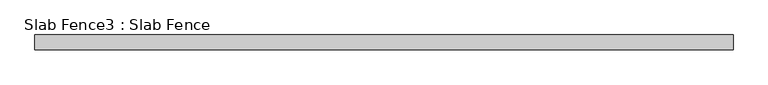
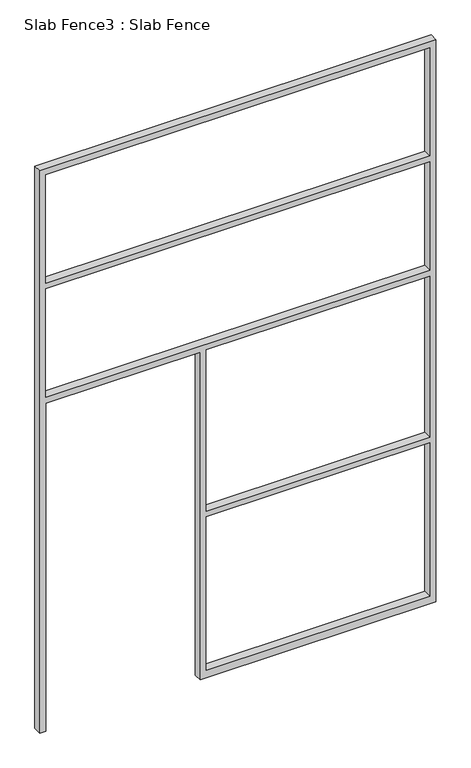
"""IFC4 building model written with IfcOpenShell, lengths in millimetres: proxy geometry, Slab Fence3 : Slab Fence."""

import ifcopenshell
import ifcopenshell.guid

model = None  # the IFC model being written
_history = None  # IfcOwnerHistory: only IFC2X3 demands one
_inside = {}  # id of a spatial element -> (the spatial element, [elements in it])
_under = {}  # id of a project, library or spatial element -> (it, [spatial elements below it])
_declared = {}  # id of a project -> (the project, [libraries it declares])
_typed = {}  # id of a type object -> (the type object, [elements of that type])
_made_of = {}  # id of a material, layer set ... -> (it, [elements and type objects made of it])


def new_model(schema):
    """Start an empty IFC model of exactly this schema.

    Asked for "IFC4X3", IfcOpenShell would pick the latest addendum, in which some entities
    have other attributes; the version numbers below select the first issue.
    IFC2X3 requires an IfcOwnerHistory on every rooted entity: one is made here for all.
    """
    global model, _history
    if schema == "IFC4X3":
        model = ifcopenshell.file(schema_version=(4, 3, 0, 0))
    else:
        model = ifcopenshell.file(schema=schema)
    _inside.clear()
    _under.clear()
    _declared.clear()
    _typed.clear()
    _made_of.clear()
    _history = None
    if model.schema == "IFC2X3":
        org = make("IfcOrganization", Name="unknown")
        user = make(
            "IfcPersonAndOrganization",
            ThePerson=make("IfcPerson", FamilyName="unknown"),
            TheOrganization=org,
        )
        app = make(
            "IfcApplication",
            ApplicationDeveloper=org,
            Version="unknown",
            ApplicationFullName="unknown",
            ApplicationIdentifier="unknown",
        )
        _history = make(
            "IfcOwnerHistory",
            OwningUser=user,
            OwningApplication=app,
            ChangeAction="ADDED",
            CreationDate=0,
        )
    return model


def make(cls, **values):
    """One entity of the class cls with the attributes given. An attribute that is None is left unset."""
    return model.create_entity(
        cls, **{name: value for name, value in values.items() if value is not None}
    )


def rooted(cls, **values):
    """An entity with a GlobalId (a new one), such as an element, a storey or a relation."""
    return make(cls, GlobalId=ifcopenshell.guid.new(), OwnerHistory=_history, **values)


def si_unit(unit_type, name, prefix=None):
    """IfcSIUnit, for example si_unit("LENGTHUNIT", "METRE", prefix="MILLI")."""
    return make("IfcSIUnit", UnitType=unit_type, Prefix=prefix, Name=name)


def assignment(units):
    """IfcUnitAssignment: the units of a project."""
    return None if units is None else make("IfcUnitAssignment", Units=units)


def point(xyz):
    """IfcCartesianPoint."""
    return None if xyz is None else make("IfcCartesianPoint", Coordinates=xyz)


def direction(xyz):
    """IfcDirection."""
    return None if xyz is None else make("IfcDirection", DirectionRatios=xyz)


def frame(location, z_axis=None, x_axis=None):
    """IfcAxis2Placement3D, a coordinate frame: its origin and axes. An axis left out is left unset."""
    return make(
        "IfcAxis2Placement3D",
        Location=point(location),
        Axis=direction(z_axis),
        RefDirection=direction(x_axis),
    )


def origin():
    """The frame at (0, 0, 0) with its axes left unset."""
    return frame((0.0, 0.0, 0.0))


def place(relative_to, where):
    """IfcLocalPlacement: puts the frame where relative to a parent placement (None: the world)."""
    return make(
        "IfcLocalPlacement", PlacementRelTo=relative_to, RelativePlacement=where
    )


def context(
    kind, dimensions, precision=None, world=None, true_north=None, identifier=None
):
    """IfcGeometricRepresentationContext, for example the 3D "Model" context."""
    return make(
        "IfcGeometricRepresentationContext",
        ContextIdentifier=identifier,
        ContextType=kind,
        CoordinateSpaceDimension=dimensions,
        Precision=precision,
        WorldCoordinateSystem=world,
        TrueNorth=true_north,
    )


def project(units=None, contexts=None):
    """IfcProject with its units and contexts."""
    return rooted(
        "IfcProject",
        Name="project",
        RepresentationContexts=contexts,
        UnitsInContext=assignment(units),
    )


def spatial(cls, under=None, at=None, **own):
    """A site, building, storey or space (cls), placed at a placement, below another one or the project."""
    s = rooted(cls, ObjectPlacement=at, **own)
    if under is not None:
        _under.setdefault(under.id(), (under, []))[1].append(s)
    return s


def polyline(points):
    """IfcPolyline through the points."""
    return make("IfcPolyline", Points=[point(p) for p in points])


def outline(outer, holes=None, kind="AREA"):
    """IfcArbitraryClosedProfileDef: a profile drawn as a closed curve; with holes, ...WithVoids."""
    if holes is None:
        return make("IfcArbitraryClosedProfileDef", ProfileType=kind, OuterCurve=outer)
    return make(
        "IfcArbitraryProfileDefWithVoids",
        ProfileType=kind,
        OuterCurve=outer,
        InnerCurves=holes,
    )


def extrude(swept, where, along, depth):
    """IfcExtrudedAreaSolid: the profile swept, set in the frame where, extruded along a direction by depth."""
    return make(
        "IfcExtrudedAreaSolid",
        SweptArea=swept,
        Position=where,
        ExtrudedDirection=direction(along),
        Depth=depth,
    )


def shape(context_of_items, identifier, shape_type, items):
    """IfcShapeRepresentation: the items that make up one representation, for example the "Body"."""
    return make(
        "IfcShapeRepresentation",
        ContextOfItems=context_of_items,
        RepresentationIdentifier=identifier,
        RepresentationType=shape_type,
        Items=items,
    )


def source(mapping_origin, context_of_items, identifier, shape_type, items):
    """IfcRepresentationMap: a shape defined once, which mapped items show again and again."""
    return make(
        "IfcRepresentationMap",
        MappingOrigin=mapping_origin,
        MappedRepresentation=shape(context_of_items, identifier, shape_type, items),
    )


def transform(
    local_origin,
    x_axis=None,
    y_axis=None,
    z_axis=None,
    scale=None,
    scale2=None,
    scale3=None,
    uniform=True,
):
    """IfcCartesianTransformationOperator3D, or its non-uniform kind. x_axis, y_axis, z_axis: its Axis1, 2, 3."""
    if uniform:
        return make(
            "IfcCartesianTransformationOperator3D",
            Axis1=direction(x_axis),
            Axis2=direction(y_axis),
            LocalOrigin=point(local_origin),
            Scale=scale,
            Axis3=direction(z_axis),
        )
    return make(
        "IfcCartesianTransformationOperator3DnonUniform",
        Axis1=direction(x_axis),
        Axis2=direction(y_axis),
        LocalOrigin=point(local_origin),
        Scale=scale,
        Axis3=direction(z_axis),
        Scale2=scale2,
        Scale3=scale3,
    )


def mapped(mapping_source, mapping_target):
    """IfcMappedItem: shows the shape of a source again, moved by a transform."""
    return make(
        "IfcMappedItem", MappingSource=mapping_source, MappingTarget=mapping_target
    )


def made_of(thing, what):
    """Note that an element or type object is made of a material, layer set ...; save() writes the relation."""
    if what is not None:
        _made_of.setdefault(what.id(), (what, []))[1].append(thing)
    return thing


def element(
    cls,
    number,
    at=None,
    inside=None,
    cuts=None,
    type_object=None,
    material=None,
    context=None,
    identifier="Body",
    shape_type=None,
    held_by="IfcProductDefinitionShape",
    body=None,
    shapes=None,
    **own,
):
    """One element of the class cls, such as IfcWall. Its Tag is "e" and its number.

    at: its placement. inside: the storey or other place that contains it. cuts: it is an
    opening in that element (IfcRelVoidsElement). A single representation is given by context,
    identifier, shape_type and body (its items); several are given by shapes. held_by: the class
    of the entity that holds the representations. save() writes the other relations.
    """
    e = rooted(cls, Tag="e%d" % number, ObjectPlacement=at, **own)
    if body is not None:
        shapes = [shape(context, identifier, shape_type, body)]
    if shapes is not None:
        e.Representation = make(held_by, Representations=shapes)
    if inside is not None:
        _inside.setdefault(inside.id(), (inside, []))[1].append(e)
    if cuts is not None:
        rooted(
            "IfcRelVoidsElement", RelatingBuildingElement=cuts, RelatedOpeningElement=e
        )
    if type_object is not None:
        _typed.setdefault(type_object.id(), (type_object, []))[1].append(e)
    return made_of(e, material)


def aggregate(whole, parts):
    """IfcRelAggregates: a whole, such as a stair, and the parts it consists of."""
    return rooted("IfcRelAggregates", RelatingObject=whole, RelatedObjects=parts)


def save(model, path):
    """Write the relations noted so far, then the file.

    IfcRelAggregates (storeys below a building ...), IfcRelContainedInSpatialStructure (elements
    in a storey), IfcRelDefinesByType, IfcRelAssociatesMaterial and IfcRelDeclares: one each for
    every whole, place, type object, material and project.
    """
    for whole, parts in _under.values():
        aggregate(whole, parts)
    for where, things in _inside.values():
        rooted(
            "IfcRelContainedInSpatialStructure",
            RelatedElements=things,
            RelatingStructure=where,
        )
    for kind, things in _typed.values():
        rooted("IfcRelDefinesByType", RelatedObjects=things, RelatingType=kind)
    for what, things in _made_of.values():
        rooted("IfcRelAssociatesMaterial", RelatedObjects=things, RelatingMaterial=what)
    for by, libraries in _declared.values():
        rooted("IfcRelDeclares", RelatingContext=by, RelatedDefinitions=libraries)
    model.write(path)


def slab_fence3_slab_fence_9282d2d0(model_context):
    return source(origin(), model_context, "Body", "SweptSolid", [
        extrude(outline(polyline([(3657.6, -8251.8348205), (0.0, -8251.8348205), (0.0, -8213.7348205), (2133.6, -8213.7348205), (2133.6, -7264.4098205), (0.0, -7264.4098205), (0.0, -7226.3098205), (0.0, -5813.4348205), (3657.6, -5813.4348205), (3657.6, -8251.8348205)]), holes=[polyline([(2876.55, -8213.7348205), (2876.55, -5851.5348205), (2171.7, -5851.5348205), (2171.7, -8213.7348205), (2876.55, -8213.7348205)]), polyline([(3619.5, -5851.5348205), (2914.65, -5851.5348205), (2914.65, -8213.7348205), (3619.5, -8213.7348205), (3619.5, -5851.5348205)]), polyline([(1085.85, -7226.3098205), (2133.6, -7226.3098205), (2133.6, -5851.5348205), (1085.85, -5851.5348205), (1085.85, -7226.3098205)]), polyline([(1047.75, -5851.5348205), (50.8, -5851.5348205), (50.8, -7226.3098205), (1047.75, -7226.3098205), (1047.75, -5851.5348205)])]), frame((0.0, 21787.866085, 0.0), z_axis=(0.0, 1.0, 0.0), x_axis=(0.0, 0.0, 1.0)), (0.0, 0.0, 1.0), 52.001598),
    ])


if __name__ == "__main__":
    model = new_model("IFC4")
    model_context = context("Model", 3, world=origin())
    ifc_project = project(units=[si_unit("LENGTHUNIT", "METRE", prefix="MILLI")], contexts=[model_context])
    site = spatial("IfcSite", under=ifc_project)
    building = spatial("IfcBuilding", under=site)
    placement = place(None, origin())
    slab_fence3_slab_fence_shape = slab_fence3_slab_fence_9282d2d0(model_context)
    element("IfcBuildingElementProxy", 1, Name="Slab Fence3 : Slab Fence", ObjectType="Slab Fence3 : Slab Fence", at=placement, inside=building, context=model_context, shape_type="MappedRepresentation", body=[
        mapped(slab_fence3_slab_fence_shape, transform((0.0, 0.0, 0.0), x_axis=(1.0, 0.0, 0.0), y_axis=(0.0, 1.0, 0.0), z_axis=(0.0, 0.0, 1.0))),
    ])
    save(model, "model.ifc")
